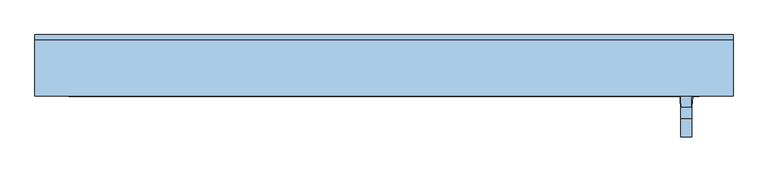
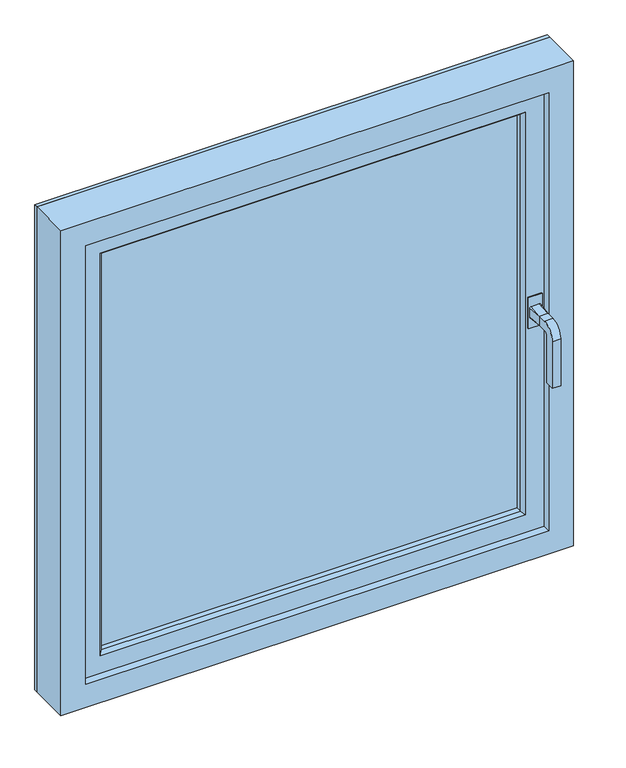
"""IFC4 building model written with IfcOpenShell, lengths in millimetres: window geometry."""

from ifc_helpers import new_model, si_unit, frame, origin, place, context, project, spatial, polyline, circle_curve, outline, extrude, faceted_brep, source, transform, mapped, element, save
from ifc_brep_helpers import plane_surface, cylinder_surface, revolved_surface, spline_surface, advanced_brep


def window_a631fbee(model_context):
    return source(origin(), model_context, "Body", "SolidModel", [
        advanced_brep(
        [(649.8419317, -68.4960746, 561.9315276), (618.5919317, -68.4960746, 561.9315276), (618.5919317, -68.4960746, 636.9315276), (649.8419317, -68.4960746, 636.9315276), (643.8994871, -71.2503138, 586.2301066), (643.75, -104.4042949, 589.0), (624.75, -104.4042949, 589.0), (624.6005129, -71.2503138, 586.2301066), (646.5198934, -71.2503138, 588.8505129), (646.5198934, -71.2503138, 611.1494871), (643.75, -104.4042949, 611.0), (643.8994871, -71.2503138, 613.7698934), (624.6005129, -71.2503138, 613.7698934), (624.75, -104.4042949, 611.0), (621.9801066, -71.2503138, 611.1494871), (621.9801066, -71.2503138, 588.8505129), (643.75, -124.4042949, 611.0), (643.75, -155.4042949, 580.0), (643.75, -155.4042949, 467.0), (643.75, -133.4042949, 467.0), (643.75, -133.4042949, 580.0), (643.75, -124.4042949, 589.0), (624.75, -124.4042949, 589.0), (624.75, -133.4042949, 580.0), (624.75, -133.4042949, 467.0), (624.75, -155.4042949, 467.0), (624.75, -155.4042949, 580.0), (624.75, -124.4042949, 611.0), (649.8419317, -71.2503138, 561.9315276), (649.8419317, -71.2503138, 636.9315276), (618.5919317, -71.2503138, 636.9315276), (618.5919317, -71.2503138, 561.9315276)],
        [
            (0, 1),
            (1, 2),
            (2, 3),
            (3, 0),
            (4, 5),
            (5, 6),
            (6, 7),
            (7, 4),
            (4, 8, circle_curve(frame((643.8994871, -71.2503138, 588.8505129), z_axis=(0.0, -1.0, 0.0), x_axis=(0.0, 0.0, -1.0)), 2.6204063)),
            (8, 5),
            (8, 9),
            (9, 10),
            (10, 5),
            (9, 11, circle_curve(frame((643.8994871, -71.2503138, 611.1494871), z_axis=(0.0, -1.0, 0.0), x_axis=(0.0, 0.0, 1.0)), 2.6204063)),
            (11, 10),
            (11, 12),
            (12, 13),
            (13, 10),
            (12, 14, circle_curve(frame((624.6005129, -71.2503138, 611.1494871), z_axis=(0.0, -1.0, 0.0), x_axis=(0.0, 0.0, 1.0)), 2.6204063)),
            (14, 13),
            (14, 15),
            (15, 6),
            (6, 13),
            (15, 7, circle_curve(frame((624.6005129, -71.2503138, 588.8505129), z_axis=(0.0, -1.0, 0.0), x_axis=(0.0, 0.0, -1.0)), 2.6204063)),
            (10, 16),
            (16, 17, circle_curve(frame((643.75, -124.4042949, 580.0), z_axis=(1.0, 0.0, 0.0), x_axis=(0.0, 0.0, 1.0)), 31.0)),
            (17, 18),
            (18, 19),
            (19, 20),
            (20, 21, circle_curve(frame((643.75, -124.4042949, 580.0), z_axis=(-1.0, 0.0, 0.0), x_axis=(0.0, 0.0, 1.0)), 9.0)),
            (21, 5),
            (21, 22),
            (22, 6),
            (22, 23, circle_curve(frame((624.75, -124.4042949, 580.0), z_axis=(1.0, 0.0, 0.0), x_axis=(0.0, 0.0, 1.0)), 9.0)),
            (23, 24),
            (24, 25),
            (25, 26),
            (26, 27, circle_curve(frame((624.75, -124.4042949, 580.0), z_axis=(-1.0, 0.0, 0.0), x_axis=(0.0, 0.0, 1.0)), 31.0)),
            (27, 13),
            (27, 16),
            (20, 23),
            (26, 17),
            (18, 25),
            (24, 19),
            (28, 29),
            (29, 30),
            (30, 31),
            (31, 28),
            (28, 0),
            (3, 29),
            (2, 30),
            (1, 31),
        ],
        [
            plane_surface(frame((634.25, -68.4960746, 600.0), z_axis=(0.0, 1.0, 0.0), x_axis=(-1.0, 0.0, 0.0))),
            plane_surface(frame((634.25, -68.4960746, 586.0), z_axis=(0.0, -0.08325627065884864, -0.9965281698958542), x_axis=(1.0, 0.0, 0.0))),
            spline_surface(2, 1, [[(643.9119057, -68.4960746, 586.0), (643.75, -104.4042949, 589.0)], [(646.75, -68.4960746, 586.0), (643.75, -104.4042949, 589.0)], [(646.75, -68.4960746, 588.8380943), (643.75, -104.4042949, 589.0)]], [3, 3], [2, 2], [0.0, 1.0], [0.0, 1.0], weights=[[1.0, 1.0], [0.7071067811865476, 0.7071067811865476], [1.0, 1.0]]),
            plane_surface(frame((646.75, -68.4960746, 600.0), z_axis=(0.9965281698958541, -0.08325627065885037, 0.0), x_axis=(0.0, 0.0, 1.0))),
            spline_surface(2, 1, [[(646.75, -68.4960746, 611.1619057), (643.75, -104.4042949, 611.0)], [(646.75, -68.4960746, 614.0), (643.75, -104.4042949, 611.0)], [(643.9119057, -68.4960746, 614.0), (643.75, -104.4042949, 611.0)]], [3, 3], [2, 2], [0.0, 1.0], [0.0, 1.0], weights=[[1.0, 1.0], [0.7071067811865476, 0.7071067811865476], [1.0, 1.0]]),
            plane_surface(frame((634.25, -68.4960746, 614.0), z_axis=(0.0, -0.08325627065885209, 0.996528169895854), x_axis=(-1.0, 0.0, 0.0))),
            spline_surface(2, 1, [[(624.5880943, -68.4960746, 614.0), (624.75, -104.4042949, 611.0)], [(621.75, -68.4960746, 614.0), (624.75, -104.4042949, 611.0)], [(621.75, -68.4960746, 611.1619057), (624.75, -104.4042949, 611.0)]], [3, 3], [2, 2], [0.0, 1.0], [0.0, 1.0], weights=[[1.0, 1.0], [0.7071067811865476, 0.7071067811865476], [1.0, 1.0]]),
            plane_surface(frame((621.75, -68.4960746, 600.0), z_axis=(-0.9965281698958541, -0.08325627065885037, 0.0), x_axis=(0.0, 0.0, -1.0))),
            spline_surface(2, 1, [[(621.75, -68.4960746, 588.8380943), (624.75, -104.4042949, 589.0)], [(621.75, -68.4960746, 586.0), (624.75, -104.4042949, 589.0)], [(624.5880943, -68.4960746, 586.0), (624.75, -104.4042949, 589.0)]], [3, 3], [2, 2], [0.0, 1.0], [0.0, 1.0], weights=[[1.0, 1.0], [0.7071067811865476, 0.7071067811865476], [1.0, 1.0]]),
            plane_surface(frame((643.75, -104.4042949, 611.0), z_axis=(1.0, 0.0, 0.0), x_axis=(0.0, -1.0, 0.0))),
            plane_surface(frame((643.75, -104.4042949, 589.0), z_axis=(0.0, 0.0, -1.0), x_axis=(0.0, -1.0, 0.0))),
            plane_surface(frame((624.75, -104.4042949, 589.0), z_axis=(-1.0, 0.0, 0.0), x_axis=(0.0, -1.0, 0.0))),
            plane_surface(frame((624.75, -104.4042949, 611.0), z_axis=(0.0, 0.0, 1.0), x_axis=(0.0, -1.0, 0.0))),
            revolved_surface(polyline([(643.75, -124.4042949, 589.0), (624.75, -124.4042949, 589.0)]), (634.25, -124.4042949, 580.0), (1.0, 0.0, 0.0)),
            cylinder_surface(frame((634.25, -124.4042949, 580.0), z_axis=(1.0, 0.0, 0.0), x_axis=(0.0, 0.0, 1.0)), 31.0),
            plane_surface(frame((634.25, -144.4042949, 467.0), z_axis=(0.0, 0.0, -1.0), x_axis=(-1.0, 0.0, 0.0))),
            plane_surface(frame((643.75, -133.4042949, 580.0), z_axis=(0.0, 1.0, 0.0), x_axis=(0.0, 0.0, -1.0))),
            plane_surface(frame((624.75, -155.4042949, 580.0), z_axis=(0.0, -1.0, 0.0), x_axis=(0.0, 0.0, -1.0))),
            plane_surface(frame((649.8419317, -71.2503138, 631.9315276), z_axis=(0.0, -1.0, 0.0), x_axis=(0.0, 0.0, 1.0))),
            plane_surface(frame((649.8419317, -71.2503138, 561.9315276), z_axis=(1.0, 0.0, 0.0), x_axis=(0.0, 1.0, 0.0))),
            plane_surface(frame((649.8419317, -71.2503138, 636.9315276), z_axis=(0.0, 0.0, 1.0), x_axis=(0.0, 1.0, 0.0))),
            plane_surface(frame((618.5919317, -71.2503138, 636.9315276), z_axis=(-1.0, 0.0, 0.0), x_axis=(0.0, 1.0, 0.0))),
            plane_surface(frame((618.5919317, -71.2503138, 561.9315276), z_axis=(0.0, 0.0, -1.0), x_axis=(0.0, 1.0, 0.0))),
        ],
        [
            (0, [[1, 2, 3, 4]]),
            (1, [[5, 6, 7, 8]]),
            (2, [[-5, 9, 10]]),
            (3, [[-10, 11, 12, 13]]),
            (4, [[-12, 14, 15]]),
            (5, [[-15, 16, 17, 18]]),
            (6, [[-17, 19, 20]]),
            (7, [[-20, 21, 22, 23]]),
            (8, [[-7, -22, 24]]),
            (9, [[25, 26, 27, 28, 29, 30, 31, -13]]),
            (10, [[-31, 32, 33, -6]]),
            (11, [[-33, 34, 35, 36, 37, 38, 39, -23]]),
            (12, [[-25, -18, -39, 40]]),
            (13, [[-30, 41, -34, -32]]),
            (14, [[-26, -40, -38, 42]]),
            (15, [[-28, 43, -36, 44]]),
            (16, [[-29, -44, -35, -41]]),
            (17, [[-27, -42, -37, -43]]),
            (18, [[45, 46, 47, 48], [-8, -24, -21, -19, -16, -14, -11, -9]]),
            (19, [[-45, 49, -4, 50]]),
            (20, [[-46, -50, -3, 51]]),
            (21, [[-47, -51, -2, 52]]),
            (22, [[-48, -52, -1, -49]]),
        ],
    ),
        extrude(outline(polyline([(625.0474603, 0.0), (625.0474603, -48.0), (-375.0310173, -48.0), (-375.0310173, 0.0), (625.0474603, 0.0)])), frame((0.0, 0.0, 96.1037243), z_axis=(0.0, 0.0, 1.0), x_axis=(1.0, 0.0, 0.0)), (0.0, 0.0, 1.0), 1007.7925514),
        faceted_brep([(713.0, 8.5039254, 1188.0), (713.0, -86.4960746, 1188.0), (713.0, -86.4960746, 12.0), (713.0, 8.5039254, 12.0), (628.8962757, -48.0, 1103.8962757), (628.8962757, 8.5039254, 1103.8962757), (628.8962757, 8.5039254, 96.1037243), (628.8962757, -48.0, 96.1037243), (605.8962757, -61.4960746, 1080.8962757), (605.8962757, -48.0, 1080.8962757), (605.8962757, -48.0, 119.1037243), (605.8962757, -61.4960746, 119.1037243), (612.8962757, -68.4960746, 1087.8962757), (612.8962757, -68.4960746, 112.1037243), (656.0, -86.4960746, 1131.0), (656.0, -68.4960746, 1131.0), (656.0, -68.4960746, 69.0), (656.0, -86.4960746, 69.0), (-463.0, -86.4960746, 12.0), (-463.0, 8.5039254, 12.0), (-378.8962757, 8.5039254, 96.1037243), (-378.8962757, -48.0, 96.1037243), (-355.8962757, -48.0, 119.1037243), (-355.8962757, -61.4960746, 119.1037243), (-362.8962757, -68.4960746, 112.1037243), (-406.0, -68.4960746, 69.0), (-406.0, -86.4960746, 69.0), (-463.0, -86.4960746, 1188.0), (-463.0, 8.5039254, 1188.0), (-378.8962757, 8.5039254, 1103.8962757), (-378.8962757, -48.0, 1103.8962757), (-355.8962757, -48.0, 1080.8962757), (-355.8962757, -61.4960746, 1080.8962757), (-362.8962757, -68.4960746, 1087.8962757), (-406.0, -68.4960746, 1131.0), (-406.0, -86.4960746, 1131.0)], [[[0, 1, 2, 3]], [[4, 5, 6, 7]], [[8, 9, 10, 11]], [[12, 8, 11, 13]], [[14, 15, 16, 17]], [[3, 2, 18, 19]], [[7, 6, 20, 21]], [[11, 10, 22, 23]], [[13, 11, 23, 24]], [[17, 16, 25, 26]], [[19, 18, 27, 28]], [[21, 20, 29, 30]], [[23, 22, 31, 32]], [[24, 23, 32, 33]], [[26, 25, 34, 35]], [[28, 27, 1, 0]], [[3, 19, 28, 0], [5, 29, 20, 6]], [[30, 29, 5, 4]], [[7, 21, 30, 4], [9, 31, 22, 10]], [[32, 31, 9, 8]], [[33, 32, 8, 12]], [[15, 34, 25, 16], [13, 24, 33, 12]], [[35, 34, 15, 14]], [[1, 27, 18, 2], [17, 26, 35, 14]]]),
        faceted_brep([(628.8962757, 8.5039254, 1103.8962757), (628.8962757, 0.0, 1103.8962757), (628.8962757, 0.0, 96.1037243), (628.8962757, 8.5039254, 96.1037243), (713.0, 17.1039254, 1188.0), (713.0, 8.5039254, 1188.0), (713.0, 8.5039254, 12.0), (713.0, 17.1039254, 12.0), (604.8768136, 0.0, 1079.8768136), (611.9614927, 17.1039254, 1086.9614927), (611.9614927, 17.1039254, 113.0385073), (604.8768136, 0.0, 120.1231864), (-378.8962757, 0.0, 96.1037243), (-378.8962757, 8.5039254, 96.1037243), (-463.0, 8.5039254, 12.0), (-463.0, 17.1039254, 12.0), (-361.9614927, 17.1039254, 113.0385073), (-354.8768136, 0.0, 120.1231864), (-378.8962757, 0.0, 1103.8962757), (-378.8962757, 8.5039254, 1103.8962757), (-463.0, 8.5039254, 1188.0), (-463.0, 17.1039254, 1188.0), (-361.9614927, 17.1039254, 1086.9614927), (-354.8768136, 0.0, 1079.8768136), (674.001149, 17.1039254, 1149.001149), (-424.001149, 17.1039254, 1149.001149), (-424.001149, 17.1039254, 50.998851), (674.001149, 17.1039254, 50.998851), (668.4964018, 17.1039254, 1143.4964018), (670.7269586, 10.503931, 1145.7269586), (670.7269586, 10.503931, 54.2730414), (668.4964018, 17.1039254, 56.5035982), (674.001149, 10.503931, 1149.001149), (674.001149, 10.503931, 50.998851), (-420.7269586, 10.503931, 54.2730414), (-418.4964018, 17.1039254, 56.5035982), (-424.001149, 10.503931, 50.998851), (-420.7269586, 10.503931, 1145.7269586), (-418.4964018, 17.1039254, 1143.4964018), (-424.001149, 10.503931, 1149.001149)], [[[0, 1, 2, 3]], [[4, 5, 6, 7]], [[8, 9, 10, 11]], [[3, 2, 12, 13]], [[7, 6, 14, 15]], [[11, 10, 16, 17]], [[13, 12, 18, 19]], [[15, 14, 20, 21]], [[17, 16, 22, 23]], [[1, 18, 12, 2], [11, 17, 23, 8]], [[19, 18, 1, 0]], [[21, 20, 5, 4]], [[7, 15, 21, 4], [24, 25, 26, 27]], [[23, 22, 9, 8]], [[28, 29, 30, 31]], [[32, 24, 27, 33]], [[31, 30, 34, 35]], [[33, 27, 26, 36]], [[35, 34, 37, 38]], [[36, 26, 25, 39]], [[5, 20, 14, 6], [3, 13, 19, 0]], [[38, 37, 29, 28]], [[31, 35, 38, 28], [9, 22, 16, 10]], [[39, 25, 24, 32]], [[33, 36, 39, 32], [29, 37, 34, 30]]]),
    ])


if __name__ == "__main__":
    model = new_model("IFC4")
    model_context = context("Model", 3, world=origin())
    ifc_project = project(units=[si_unit("LENGTHUNIT", "METRE", prefix="MILLI")], contexts=[model_context])
    site = spatial("IfcSite", under=ifc_project)
    building = spatial("IfcBuilding", under=site)
    placement = place(None, origin())
    window_shape = window_a631fbee(model_context)
    element("IfcWindow", 1, at=placement, inside=building, context=model_context, shape_type="MappedRepresentation", body=[
        mapped(window_shape, transform((0.0, 0.0, 0.0), x_axis=(1.0, 0.0, 0.0), y_axis=(0.0, 1.0, 0.0), z_axis=(0.0, 0.0, 1.0))),
    ])
    save(model, "model.ifc")
